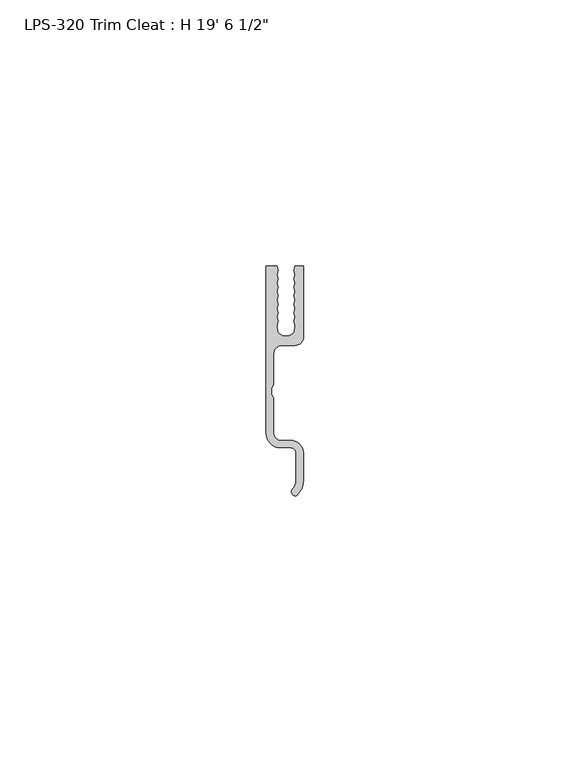
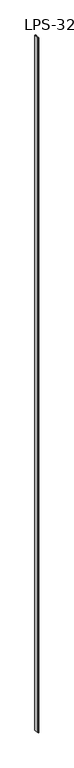
"""IFC4 building model written with IfcOpenShell, lengths in millimetres: proxy geometry."""

from ifc_helpers import new_model, si_unit, point, frame_2d, origin, origin_with_axes, place, context, project, spatial, polyline, circle_curve, trimmed, segment, composite_curve, outline, extrude, source, transform, mapped, element, save


def proxy_16feedfa(model_context):
    return source(origin(), model_context, "Body", "SweptSolid", [
        extrude(outline(composite_curve([segment(polyline([(-2.1139529, 5.112905), (-2.1139529, -0.631127), (-2.5000324, -1.357237), (-2.5000324, -2.445017), (-2.1139529, -3.171127), (-2.1139529, -9.7115431)]), True, "CONTINUOUS"), segment(trimmed(circle_curve(frame_2d((-0.6584036, -9.7115431)), 1.4555494), [point((-2.1139529, -9.7115431))], [point((-1.0293528, -11.1190305))], True, "CARTESIAN"), True, "CONTINUOUS"), segment(polyline([(-1.0293528, -11.1190305), (1.0783304, -11.1190305)]), True, "CONTINUOUS"), segment(trimmed(circle_curve(frame_2d((1.041874, -13.5898795)), 2.4711179), [point((1.0783304, -11.1190305))], [point((3.5109529, -13.4895157))], False, "CARTESIAN"), True, "CONTINUOUS"), segment(polyline([(3.5109529, -13.4895157), (3.5109529, -18.5410704)]), True, "CONTINUOUS"), segment(trimmed(circle_curve(frame_2d((-0.5911471, -18.5410704)), 4.1021), [point((3.5109529, -18.5410704))], [point((2.25856, -21.4917303))], False, "CARTESIAN"), True, "CONTINUOUS"), segment(trimmed(circle_curve(frame_2d((1.9778743, -20.7675473)), 0.7766759), [point((2.25856, -21.4917303))], [point((1.2367952, -20.5351098))], False, "CARTESIAN"), True, "CONTINUOUS"), segment(trimmed(circle_curve(frame_2d((-0.5911471, -18.5410704)), 2.7051), [point((1.2367952, -20.5351098))], [point((2.1139529, -18.5410704))], True, "CARTESIAN"), True, "CONTINUOUS"), segment(polyline([(2.1139529, -18.5410704), (2.1139529, -13.523728)]), True, "CONTINUOUS"), segment(trimmed(circle_curve(frame_2d((1.041874, -13.5898795)), 1.0741179), [point((2.1139529, -13.523728))], [point((1.0659086, -12.5160305))], True, "CARTESIAN"), True, "CONTINUOUS"), segment(polyline([(1.0659086, -12.5160305), (-1.2210311, -12.5160305)]), True, "CONTINUOUS"), segment(trimmed(circle_curve(frame_2d((-1.2210311, -10.9615505)), 1.55448), [point((-1.2210311, -12.5160305))], [point((-1.9760611, -12.3203506))], False, "CARTESIAN"), True, "CONTINUOUS"), segment(trimmed(circle_curve(frame_2d((-0.5264529, -9.7115431)), 2.9845), [point((-1.9760611, -12.3203506))], [point((-3.5109529, -9.7115431))], False, "CARTESIAN"), True, "CONTINUOUS"), segment(polyline([(-3.5109529, -9.7115431), (-3.5109529, 21.5613778), (-1.4602197, 21.5613778), (-1.315047, 20.7690222), (-1.4602197, 19.9766667), (-1.315047, 19.1843112), (-1.4602197, 18.3919557), (-1.315047, 17.5996002), (-1.4602197, 16.8072447), (-1.315047, 16.0148891), (-1.4602197, 15.2225336), (-1.315047, 14.4301781), (-1.4602197, 13.6378226), (-1.315047, 12.8454671), (-1.4602197, 12.0531116), (-1.315047, 11.260756), (-1.4602197, 10.4684005), (-1.3787348, 9.3284358)]), True, "CONTINUOUS"), segment(trimmed(circle_curve(frame_2d((0.2051903, 10.224684)), 1.8199119), [point((-1.3787348, 9.3284358))], [point((1.7947896, 9.3385388))], True, "CARTESIAN"), True, "CONTINUOUS"), segment(polyline([(1.7947896, 9.3385388), (1.8781256, 10.4684005), (1.7329529, 11.260756), (1.8781256, 12.0531116), (1.7329529, 12.8454671), (1.8781256, 13.6378226), (1.7329529, 14.4301781), (1.8781256, 15.2225336), (1.7329529, 16.0148891), (1.8781256, 16.8072447), (1.7329529, 17.5996002), (1.8781256, 18.3919557), (1.7329529, 19.1843112), (1.8781256, 19.9766667), (1.7329529, 20.7690222), (1.8781256, 21.5613778), (3.5109529, 21.5613778), (3.5109529, 8.287905)]), True, "CONTINUOUS"), segment(trimmed(circle_curve(frame_2d((1.9234529, 8.287905)), 1.5875), [point((3.5109529, 8.287905))], [point((1.9234529, 6.700405))], False, "CARTESIAN"), True, "CONTINUOUS"), segment(polyline([(1.9234529, 6.700405), (-0.5264529, 6.700405)]), True, "CONTINUOUS"), segment(trimmed(circle_curve(frame_2d((-0.5264529, 5.112905)), 1.5875), [point((-0.5264529, 6.700405))], [point((-2.1139529, 5.112905))], True, "CARTESIAN"), True, "CONTINUOUS")], self_intersect=False)), origin_with_axes(), (0.0, 0.0, 1.0), 5956.3),
    ])


if __name__ == "__main__":
    model = new_model("IFC4")
    model_context = context("Model", 3, world=origin())
    ifc_project = project(units=[si_unit("LENGTHUNIT", "METRE", prefix="MILLI")], contexts=[model_context])
    site = spatial("IfcSite", under=ifc_project)
    building = spatial("IfcBuilding", under=site)
    placement = place(None, origin())
    proxy_shape = proxy_16feedfa(model_context)
    element("IfcBuildingElementProxy", 1, Name="LPS-320 Trim Cleat : H 19' 6 1/2\"", ObjectType="LPS-320 Trim Cleat : H 19' 6 1/2\"", at=placement, inside=building, context=model_context, shape_type="MappedRepresentation", body=[
        mapped(proxy_shape, transform((0.0, 0.0, 0.0), x_axis=(1.0, 0.0, 0.0), y_axis=(0.0, 1.0, 0.0), z_axis=(0.0, 0.0, 1.0))),
    ])
    save(model, "model.ifc")
